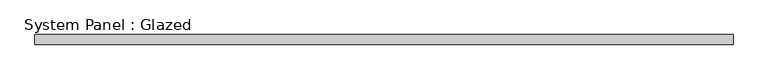
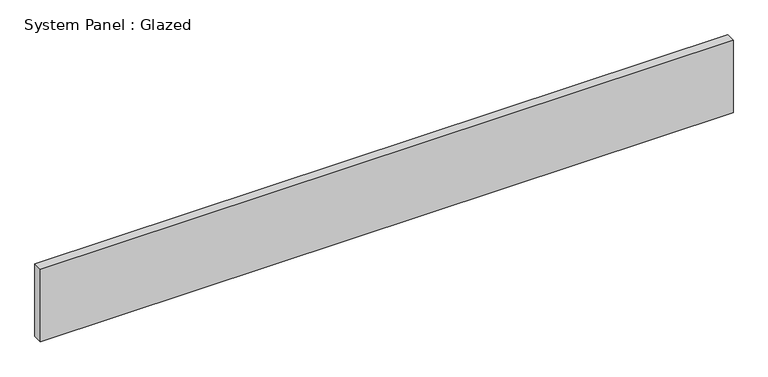
"""IFC4 building model written with IfcOpenShell, lengths in millimetres: plate geometry, System Panel : Glazed."""

from ifc_helpers import new_model, si_unit, origin, origin_with_axes, place, context, project, spatial, polyline, outline, extrude, source, transform, mapped, element, save


def system_panel_glazed_698a42a4(model_context):
    return source(origin(), model_context, "Body", "SweptSolid", [
        extrude(outline(polyline([(905.0, 24.5), (-905.0, 24.5), (-905.0, 49.5), (905.0, 49.5), (905.0, 24.5)])), origin_with_axes(), (0.0, 0.0, 1.0), 200.0),
    ])


if __name__ == "__main__":
    model = new_model("IFC4")
    model_context = context("Model", 3, world=origin())
    ifc_project = project(units=[si_unit("LENGTHUNIT", "METRE", prefix="MILLI")], contexts=[model_context])
    site = spatial("IfcSite", under=ifc_project)
    building = spatial("IfcBuilding", under=site)
    placement = place(None, origin())
    system_panel_glazed_shape = system_panel_glazed_698a42a4(model_context)
    element("IfcPlate", 1, ObjectType="System Panel : Glazed", at=placement, inside=building, context=model_context, shape_type="MappedRepresentation", body=[
        mapped(system_panel_glazed_shape, transform((0.0, 0.0, 0.0), x_axis=(1.0, 0.0, 0.0), y_axis=(0.0, 1.0, 0.0), z_axis=(0.0, 0.0, 1.0))),
    ])
    save(model, "model.ifc")
